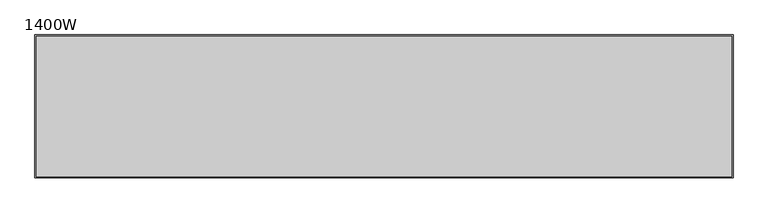
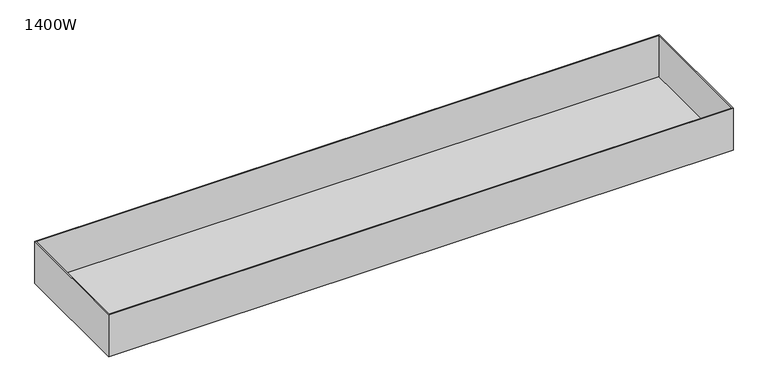
"""IFC4 building model written with IfcOpenShell, lengths in millimetres: furniture geometry, 1400W."""

from ifc_helpers import new_model, si_unit, origin, place, context, project, spatial, faceted_brep, source, transform, mapped, element, save


def furniture_1400w_edf53e73(model_context):
    return source(origin(), model_context, "Body", "Brep", [
        faceted_brep([(-610.0, 125.0, 435.0), (-610.0, -125.0, 435.0), (-610.0, -125.0, 522.0), (-610.0, 125.0, 522.0), (610.0, 125.0, 435.0), (610.0, 125.0, 522.0), (610.0, -125.0, 522.0), (610.0, -125.0, 435.0), (-608.0, -123.0, 522.0), (-608.0, 123.0, 522.0), (608.0, 123.0, 522.0), (608.0, -123.0, 522.0), (608.0, -123.0, 437.0), (608.0, 123.0, 437.0), (-608.0, 123.0, 437.0), (-608.0, -123.0, 437.0)], [[[0, 1, 2, 3]], [[4, 5, 6, 7]], [[3, 5, 4, 0]], [[2, 6, 5, 3], [8, 9, 10, 11]], [[1, 7, 6, 2]], [[0, 4, 7, 1]], [[12, 13, 14, 15]], [[15, 8, 11, 12]], [[14, 9, 8, 15]], [[13, 10, 9, 14]], [[12, 11, 10, 13]]]),
    ])


if __name__ == "__main__":
    model = new_model("IFC4")
    model_context = context("Model", 3, world=origin())
    ifc_project = project(units=[si_unit("LENGTHUNIT", "METRE", prefix="MILLI")], contexts=[model_context])
    site = spatial("IfcSite", under=ifc_project)
    building = spatial("IfcBuilding", under=site)
    placement = place(None, origin())
    furniture_1400w_shape = furniture_1400w_edf53e73(model_context)
    element("IfcFurniture", 1, ObjectType="1400W", at=placement, inside=building, context=model_context, shape_type="MappedRepresentation", body=[
        mapped(furniture_1400w_shape, transform((0.0, 0.0, 0.0), x_axis=(1.0, 0.0, 0.0), y_axis=(0.0, 1.0, 0.0), z_axis=(0.0, 0.0, 1.0))),
    ])
    save(model, "model.ifc")
